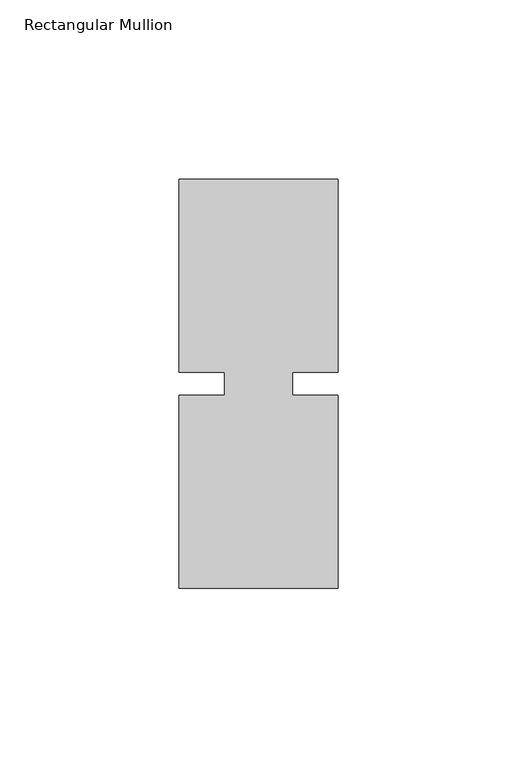
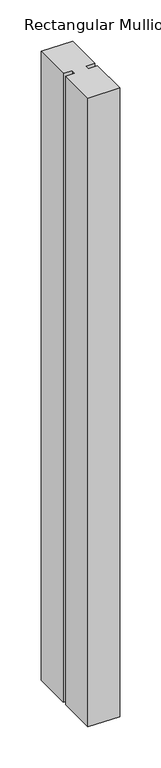
"""IFC4 building model written with IfcOpenShell, lengths in millimetres: member geometry, Rectangular Mullion."""

from ifc_helpers import new_model, si_unit, frame, origin, place, context, project, spatial, polyline, outline, extrude, source, transform, mapped, element, save


def rectangular_mullion_b8a8cedb(model_context):
    return source(origin(), model_context, "Body", "SweptSolid", [
        extrude(outline(polyline([(26.5594027, 57.15), (26.5594027, 3.175), (13.8576322, 3.175), (13.8576322, -3.175), (26.5594027, -3.175), (26.5594027, -57.15), (-17.8905973, -57.15), (-17.8905973, -3.175), (-5.1905973, -3.175), (-5.1905973, 3.175), (-17.8905973, 3.175), (-17.8905973, 57.15), (26.5594027, 57.15)])), frame((0.0, 0.0, -935.4655973), z_axis=(0.0, 0.0, 1.0), x_axis=(1.0, 0.0, 0.0)), (0.0, 0.0, 1.0), 935.4655973),
    ])


if __name__ == "__main__":
    model = new_model("IFC4")
    model_context = context("Model", 3, world=origin())
    ifc_project = project(units=[si_unit("LENGTHUNIT", "METRE", prefix="MILLI")], contexts=[model_context])
    site = spatial("IfcSite", under=ifc_project)
    building = spatial("IfcBuilding", under=site)
    placement = place(None, origin())
    rectangular_mullion_shape = rectangular_mullion_b8a8cedb(model_context)
    element("IfcMember", 1, ObjectType="Rectangular Mullion", at=placement, inside=building, context=model_context, shape_type="MappedRepresentation", body=[
        mapped(rectangular_mullion_shape, transform((0.0, 0.0, 0.0), x_axis=(1.0, 0.0, 0.0), y_axis=(0.0, 1.0, 0.0), z_axis=(0.0, 0.0, 1.0))),
    ])
    save(model, "model.ifc")
